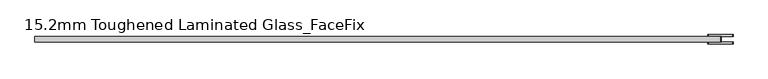
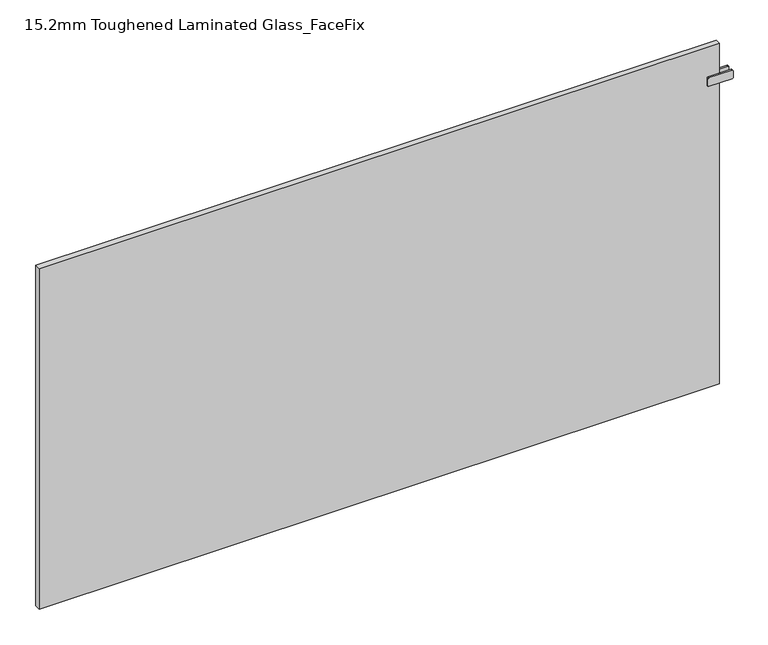
"""IFC4 building model written with IfcOpenShell, lengths in millimetres: plate geometry, 15.2mm Toughened Laminated Glass_FaceFix."""

from ifc_helpers import new_model, si_unit, point, frame, frame_2d, origin, origin_with_axes, place, context, project, spatial, polyline, circle_curve, trimmed, segment, composite_curve, outline, extrude, source, transform, mapped, element, save


def plate_15_2mm_toughened_laminated_glass_facefix_c559a0e0(model_context):
    return source(origin(), model_context, "Body", "SweptSolid", [
        extrude(outline(polyline([(947.5000001, -39.6), (942.5000001, -39.6), (942.5000001, -24.4), (947.5000001, -24.4), (947.5000001, -39.6)])), frame((0.0, 0.0, 887.5), z_axis=(0.0, 0.0, 1.0), x_axis=(1.0, 0.0, 0.0)), (0.0, 0.0, 1.0), 25.0),
        extrude(outline(composite_curve([segment(polyline([(887.5, 913.0000001), (887.5, 977.0000001)]), True, "CONTINUOUS"), segment(trimmed(circle_curve(frame_2d((890.5, 977.0000001)), 3.0), [point((887.5, 977.0000001))], [point((890.5, 980.0000001))], False, "CARTESIAN"), True, "CONTINUOUS"), segment(polyline([(890.5, 980.0000001), (909.5, 980.0000001)]), True, "CONTINUOUS"), segment(trimmed(circle_curve(frame_2d((909.5, 977.0000001)), 3.0), [point((909.5, 980.0000001))], [point((912.5, 977.0000001))], False, "CARTESIAN"), True, "CONTINUOUS"), segment(polyline([(912.5, 977.0000001), (912.5, 913.0000001)]), True, "CONTINUOUS"), segment(trimmed(circle_curve(frame_2d((909.5, 913.0000001)), 3.0), [point((912.5, 913.0000001))], [point((909.5, 910.0000001))], False, "CARTESIAN"), True, "CONTINUOUS"), segment(polyline([(909.5, 910.0000001), (890.5, 910.0000001)]), True, "CONTINUOUS"), segment(trimmed(circle_curve(frame_2d((890.5, 913.0000001)), 3.0), [point((890.5, 910.0000001))], [point((887.5, 913.0000001))], False, "CARTESIAN"), True, "CONTINUOUS")], self_intersect=False)), frame((0.0, -24.4, 0.0), z_axis=(0.0, 1.0, 0.0), x_axis=(0.0, 0.0, 1.0)), (0.0, 0.0, 1.0), 5.0),
        extrude(outline(composite_curve([segment(polyline([(887.5, 913.0000001), (887.5, 977.0000001)]), True, "CONTINUOUS"), segment(trimmed(circle_curve(frame_2d((890.5, 977.0000001)), 3.0), [point((887.5, 977.0000001))], [point((890.5, 980.0000001))], False, "CARTESIAN"), True, "CONTINUOUS"), segment(polyline([(890.5, 980.0000001), (909.5, 980.0000001)]), True, "CONTINUOUS"), segment(trimmed(circle_curve(frame_2d((909.5, 977.0000001)), 3.0), [point((909.5, 980.0000001))], [point((912.5, 977.0000001))], False, "CARTESIAN"), True, "CONTINUOUS"), segment(polyline([(912.5, 977.0000001), (912.5, 913.0000001)]), True, "CONTINUOUS"), segment(trimmed(circle_curve(frame_2d((909.5, 913.0000001)), 3.0), [point((912.5, 913.0000001))], [point((909.5, 910.0000001))], False, "CARTESIAN"), True, "CONTINUOUS"), segment(polyline([(909.5, 910.0000001), (890.5, 910.0000001)]), True, "CONTINUOUS"), segment(trimmed(circle_curve(frame_2d((890.5, 913.0000001)), 3.0), [point((890.5, 910.0000001))], [point((887.5, 913.0000001))], False, "CARTESIAN"), True, "CONTINUOUS")], self_intersect=False)), frame((0.0, -44.6, 0.0), z_axis=(0.0, 1.0, 0.0), x_axis=(0.0, 0.0, 1.0)), (0.0, 0.0, 1.0), 5.0),
        extrude(outline(polyline([(945.0000001, -24.4), (945.0000001, -39.6), (-945.0000001, -39.6), (-945.0000001, -24.4), (945.0000001, -24.4)])), origin_with_axes(), (0.0, 0.0, 1.0), 1000.0),
    ])


if __name__ == "__main__":
    model = new_model("IFC4")
    model_context = context("Model", 3, world=origin())
    ifc_project = project(units=[si_unit("LENGTHUNIT", "METRE", prefix="MILLI")], contexts=[model_context])
    site = spatial("IfcSite", under=ifc_project)
    building = spatial("IfcBuilding", under=site)
    placement = place(None, origin())
    plate_15_2mm_toughened_laminated_glass_facefix_shape = plate_15_2mm_toughened_laminated_glass_facefix_c559a0e0(model_context)
    element("IfcPlate", 1, ObjectType="15.2mm Toughened Laminated Glass_FaceFix", at=placement, inside=building, context=model_context, shape_type="MappedRepresentation", body=[
        mapped(plate_15_2mm_toughened_laminated_glass_facefix_shape, transform((0.0, 0.0, 0.0), x_axis=(1.0, 0.0, 0.0), y_axis=(0.0, 1.0, 0.0), z_axis=(0.0, 0.0, 1.0))),
    ])
    save(model, "model.ifc")
